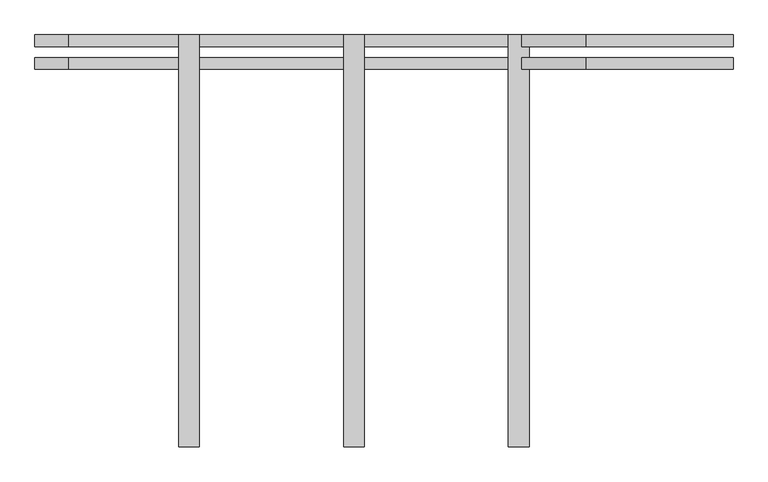
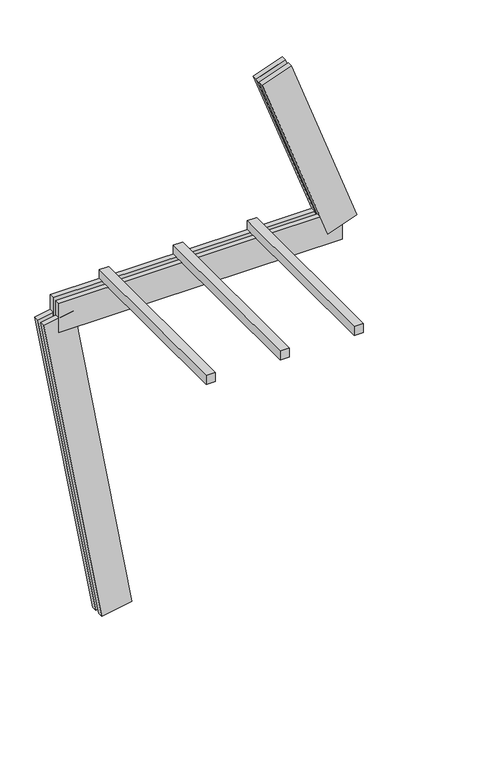
"""IFC4 building model written with IfcOpenShell, lengths in millimetres: proxy geometry."""

import ifcopenshell
import ifcopenshell.guid

model = None  # the IFC model being written
_history = None  # IfcOwnerHistory: only IFC2X3 demands one
_inside = {}  # id of a spatial element -> (the spatial element, [elements in it])
_under = {}  # id of a project, library or spatial element -> (it, [spatial elements below it])
_declared = {}  # id of a project -> (the project, [libraries it declares])
_typed = {}  # id of a type object -> (the type object, [elements of that type])
_made_of = {}  # id of a material, layer set ... -> (it, [elements and type objects made of it])


def new_model(schema):
    """Start an empty IFC model of exactly this schema.

    Asked for "IFC4X3", IfcOpenShell would pick the latest addendum, in which some entities
    have other attributes; the version numbers below select the first issue.
    IFC2X3 requires an IfcOwnerHistory on every rooted entity: one is made here for all.
    """
    global model, _history
    if schema == "IFC4X3":
        model = ifcopenshell.file(schema_version=(4, 3, 0, 0))
    else:
        model = ifcopenshell.file(schema=schema)
    _inside.clear()
    _under.clear()
    _declared.clear()
    _typed.clear()
    _made_of.clear()
    _history = None
    if model.schema == "IFC2X3":
        org = make("IfcOrganization", Name="unknown")
        user = make(
            "IfcPersonAndOrganization",
            ThePerson=make("IfcPerson", FamilyName="unknown"),
            TheOrganization=org,
        )
        app = make(
            "IfcApplication",
            ApplicationDeveloper=org,
            Version="unknown",
            ApplicationFullName="unknown",
            ApplicationIdentifier="unknown",
        )
        _history = make(
            "IfcOwnerHistory",
            OwningUser=user,
            OwningApplication=app,
            ChangeAction="ADDED",
            CreationDate=0,
        )
    return model


def make(cls, **values):
    """One entity of the class cls with the attributes given. An attribute that is None is left unset."""
    return model.create_entity(
        cls, **{name: value for name, value in values.items() if value is not None}
    )


def rooted(cls, **values):
    """An entity with a GlobalId (a new one), such as an element, a storey or a relation."""
    return make(cls, GlobalId=ifcopenshell.guid.new(), OwnerHistory=_history, **values)


def si_unit(unit_type, name, prefix=None):
    """IfcSIUnit, for example si_unit("LENGTHUNIT", "METRE", prefix="MILLI")."""
    return make("IfcSIUnit", UnitType=unit_type, Prefix=prefix, Name=name)


def assignment(units):
    """IfcUnitAssignment: the units of a project."""
    return None if units is None else make("IfcUnitAssignment", Units=units)


def point(xyz):
    """IfcCartesianPoint."""
    return None if xyz is None else make("IfcCartesianPoint", Coordinates=xyz)


def direction(xyz):
    """IfcDirection."""
    return None if xyz is None else make("IfcDirection", DirectionRatios=xyz)


def frame(location, z_axis=None, x_axis=None):
    """IfcAxis2Placement3D, a coordinate frame: its origin and axes. An axis left out is left unset."""
    return make(
        "IfcAxis2Placement3D",
        Location=point(location),
        Axis=direction(z_axis),
        RefDirection=direction(x_axis),
    )


def origin():
    """The frame at (0, 0, 0) with its axes left unset."""
    return frame((0.0, 0.0, 0.0))


def place(relative_to, where):
    """IfcLocalPlacement: puts the frame where relative to a parent placement (None: the world)."""
    return make(
        "IfcLocalPlacement", PlacementRelTo=relative_to, RelativePlacement=where
    )


def context(
    kind, dimensions, precision=None, world=None, true_north=None, identifier=None
):
    """IfcGeometricRepresentationContext, for example the 3D "Model" context."""
    return make(
        "IfcGeometricRepresentationContext",
        ContextIdentifier=identifier,
        ContextType=kind,
        CoordinateSpaceDimension=dimensions,
        Precision=precision,
        WorldCoordinateSystem=world,
        TrueNorth=true_north,
    )


def project(units=None, contexts=None):
    """IfcProject with its units and contexts."""
    return rooted(
        "IfcProject",
        Name="project",
        RepresentationContexts=contexts,
        UnitsInContext=assignment(units),
    )


def spatial(cls, under=None, at=None, **own):
    """A site, building, storey or space (cls), placed at a placement, below another one or the project."""
    s = rooted(cls, ObjectPlacement=at, **own)
    if under is not None:
        _under.setdefault(under.id(), (under, []))[1].append(s)
    return s


def polyline(points):
    """IfcPolyline through the points."""
    return make("IfcPolyline", Points=[point(p) for p in points])


def outline(outer, holes=None, kind="AREA"):
    """IfcArbitraryClosedProfileDef: a profile drawn as a closed curve; with holes, ...WithVoids."""
    if holes is None:
        return make("IfcArbitraryClosedProfileDef", ProfileType=kind, OuterCurve=outer)
    return make(
        "IfcArbitraryProfileDefWithVoids",
        ProfileType=kind,
        OuterCurve=outer,
        InnerCurves=holes,
    )


def extrude(swept, where, along, depth):
    """IfcExtrudedAreaSolid: the profile swept, set in the frame where, extruded along a direction by depth."""
    return make(
        "IfcExtrudedAreaSolid",
        SweptArea=swept,
        Position=where,
        ExtrudedDirection=direction(along),
        Depth=depth,
    )


def shape(context_of_items, identifier, shape_type, items):
    """IfcShapeRepresentation: the items that make up one representation, for example the "Body"."""
    return make(
        "IfcShapeRepresentation",
        ContextOfItems=context_of_items,
        RepresentationIdentifier=identifier,
        RepresentationType=shape_type,
        Items=items,
    )


def source(mapping_origin, context_of_items, identifier, shape_type, items):
    """IfcRepresentationMap: a shape defined once, which mapped items show again and again."""
    return make(
        "IfcRepresentationMap",
        MappingOrigin=mapping_origin,
        MappedRepresentation=shape(context_of_items, identifier, shape_type, items),
    )


def transform(
    local_origin,
    x_axis=None,
    y_axis=None,
    z_axis=None,
    scale=None,
    scale2=None,
    scale3=None,
    uniform=True,
):
    """IfcCartesianTransformationOperator3D, or its non-uniform kind. x_axis, y_axis, z_axis: its Axis1, 2, 3."""
    if uniform:
        return make(
            "IfcCartesianTransformationOperator3D",
            Axis1=direction(x_axis),
            Axis2=direction(y_axis),
            LocalOrigin=point(local_origin),
            Scale=scale,
            Axis3=direction(z_axis),
        )
    return make(
        "IfcCartesianTransformationOperator3DnonUniform",
        Axis1=direction(x_axis),
        Axis2=direction(y_axis),
        LocalOrigin=point(local_origin),
        Scale=scale,
        Axis3=direction(z_axis),
        Scale2=scale2,
        Scale3=scale3,
    )


def mapped(mapping_source, mapping_target):
    """IfcMappedItem: shows the shape of a source again, moved by a transform."""
    return make(
        "IfcMappedItem", MappingSource=mapping_source, MappingTarget=mapping_target
    )


def made_of(thing, what):
    """Note that an element or type object is made of a material, layer set ...; save() writes the relation."""
    if what is not None:
        _made_of.setdefault(what.id(), (what, []))[1].append(thing)
    return thing


def element(
    cls,
    number,
    at=None,
    inside=None,
    cuts=None,
    type_object=None,
    material=None,
    context=None,
    identifier="Body",
    shape_type=None,
    held_by="IfcProductDefinitionShape",
    body=None,
    shapes=None,
    **own,
):
    """One element of the class cls, such as IfcWall. Its Tag is "e" and its number.

    at: its placement. inside: the storey or other place that contains it. cuts: it is an
    opening in that element (IfcRelVoidsElement). A single representation is given by context,
    identifier, shape_type and body (its items); several are given by shapes. held_by: the class
    of the entity that holds the representations. save() writes the other relations.
    """
    e = rooted(cls, Tag="e%d" % number, ObjectPlacement=at, **own)
    if body is not None:
        shapes = [shape(context, identifier, shape_type, body)]
    if shapes is not None:
        e.Representation = make(held_by, Representations=shapes)
    if inside is not None:
        _inside.setdefault(inside.id(), (inside, []))[1].append(e)
    if cuts is not None:
        rooted(
            "IfcRelVoidsElement", RelatingBuildingElement=cuts, RelatedOpeningElement=e
        )
    if type_object is not None:
        _typed.setdefault(type_object.id(), (type_object, []))[1].append(e)
    return made_of(e, material)


def aggregate(whole, parts):
    """IfcRelAggregates: a whole, such as a stair, and the parts it consists of."""
    return rooted("IfcRelAggregates", RelatingObject=whole, RelatedObjects=parts)


def save(model, path):
    """Write the relations noted so far, then the file.

    IfcRelAggregates (storeys below a building ...), IfcRelContainedInSpatialStructure (elements
    in a storey), IfcRelDefinesByType, IfcRelAssociatesMaterial and IfcRelDeclares: one each for
    every whole, place, type object, material and project.
    """
    for whole, parts in _under.values():
        aggregate(whole, parts)
    for where, things in _inside.values():
        rooted(
            "IfcRelContainedInSpatialStructure",
            RelatedElements=things,
            RelatingStructure=where,
        )
    for kind, things in _typed.values():
        rooted("IfcRelDefinesByType", RelatedObjects=things, RelatingType=kind)
    for what, things in _made_of.values():
        rooted("IfcRelAssociatesMaterial", RelatedObjects=things, RelatingMaterial=what)
    for by, libraries in _declared.values():
        rooted("IfcRelDeclares", RelatingContext=by, RelatedDefinitions=libraries)
    model.write(path)


def generic_models_04222b37(model_context):
    return source(origin(), model_context, "Body", "SweptSolid", [
        extrude(outline(polyline([(6.1499203, -1437.5), (-68.8500797, -1437.5), (-68.8500797, 62.5), (6.1499203, 62.5), (6.1499203, -1437.5)])), frame((0.0, 0.0, 2783.9809331), z_axis=(0.0, 0.0, 1.0), x_axis=(1.0, 0.0, 0.0)), (0.0, 0.0, 1.0), 75.0),
        extrude(outline(polyline([(606.1499203, -1437.5), (531.1499203, -1437.5), (531.1499203, 62.5), (606.1499203, 62.5), (606.1499203, -1437.5)])), frame((0.0, 0.0, 2783.9809331), z_axis=(0.0, 0.0, 1.0), x_axis=(1.0, 0.0, 0.0)), (0.0, 0.0, 1.0), 75.0),
        extrude(outline(polyline([(1206.1499203, -1437.5), (1131.1499203, -1437.5), (1131.1499203, 62.5), (1206.1499203, 62.5), (1206.1499203, -1437.5)])), frame((0.0, 0.0, 2783.9809331), z_axis=(0.0, 0.0, 1.0), x_axis=(1.0, 0.0, 0.0)), (0.0, 0.0, 1.0), 75.0),
        extrude(outline(polyline([(125.0, 0.0), (125.0, -250.0), (82.5, -250.0), (82.5, 0.0), (125.0, 0.0)])), frame((1713.6883427, -62.5, 2616.2284152), z_axis=(-0.34202014332566727, 0.0, 0.939692620785909), x_axis=(0.0, 1.0, 0.0)), (0.0, 0.0, 1.0), 1560.0),
        extrude(outline(polyline([(0.0, -250.0), (0.0, 0.0), (42.5, 0.0), (42.5, -250.0), (0.0, -250.0)])), frame((1713.6883427, -62.5, 2616.2284152), z_axis=(-0.34202014332566727, 0.0, 0.939692620785909), x_axis=(0.0, 1.0, 0.0)), (0.0, 0.0, 1.0), 1560.0),
        extrude(outline(polyline([(-468.8500797, 62.5), (1831.1499203, 62.5), (1831.1499203, 20.0), (-468.8500797, 20.0), (-468.8500797, 62.5)])), frame((0.0, 0.0, 2533.9809331), z_axis=(0.0, 0.0, 1.0), x_axis=(1.0, 0.0, 0.0)), (0.0, 0.0, 1.0), 250.0),
        extrude(outline(polyline([(1831.1499203, -62.5), (-468.8500797, -62.5), (-468.8500797, -20.0), (1831.1499203, -20.0), (1831.1499203, -62.5)])), frame((0.0, 0.0, 2533.9809331), z_axis=(0.0, 0.0, 1.0), x_axis=(1.0, 0.0, 0.0)), (0.0, 0.0, 1.0), 250.0),
        extrude(outline(polyline([(-125.0, -249.9999999), (-125.0, 0.0), (-82.5, 0.0), (-82.5, -249.9999999), (-125.0, -249.9999999)])), frame((123.1009691, -62.5, 21.7060222), z_axis=(-0.17364817766693158, 0.0, 0.9848077530122079), x_axis=(0.0, -1.0, 0.0)), (0.0, 0.0, 1.0), 2700.0),
        extrude(outline(polyline([(0.0, 0.0), (0.0, -249.9999999), (-42.5, -249.9999999), (-42.5, 0.0), (0.0, 0.0)])), frame((123.1009691, -62.5, 21.7060222), z_axis=(-0.17364817766693158, 0.0, 0.9848077530122079), x_axis=(0.0, -1.0, 0.0)), (0.0, 0.0, 1.0), 2700.0),
    ])


if __name__ == "__main__":
    model = new_model("IFC4")
    model_context = context("Model", 3, world=origin())
    ifc_project = project(units=[si_unit("LENGTHUNIT", "METRE", prefix="MILLI")], contexts=[model_context])
    site = spatial("IfcSite", under=ifc_project)
    building = spatial("IfcBuilding", under=site)
    placement = place(None, origin())
    generic_models_shape = generic_models_04222b37(model_context)
    element("IfcBuildingElementProxy", 1, Name="Generic Models", at=placement, inside=building, context=model_context, shape_type="MappedRepresentation", body=[
        mapped(generic_models_shape, transform((0.0, 0.0, 0.0), x_axis=(1.0, 0.0, 0.0), y_axis=(0.0, 1.0, 0.0), z_axis=(0.0, 0.0, 1.0))),
    ])
    save(model, "model.ifc")
